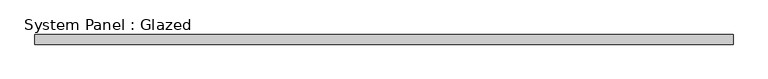
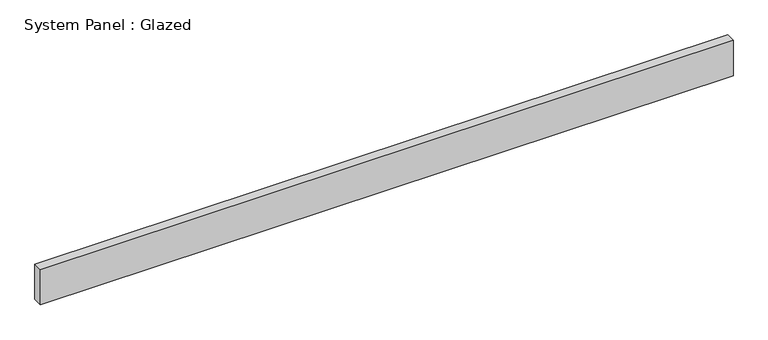
"""IFC4 building model written with IfcOpenShell, lengths in millimetres: plate geometry, System Panel : Glazed."""

from ifc_helpers import new_model, si_unit, origin, origin_with_axes, place, context, project, spatial, polyline, outline, extrude, source, transform, mapped, element, save


def system_panel_glazed_a2c0351a(model_context):
    return source(origin(), model_context, "Body", "SweptSolid", [
        extrude(outline(polyline([(905.0, 24.5), (-905.0, 24.5), (-905.0, 49.5), (905.0, 49.5), (905.0, 24.5)])), origin_with_axes(), (0.0, 0.0, 1.0), 97.1692572),
    ])


if __name__ == "__main__":
    model = new_model("IFC4")
    model_context = context("Model", 3, world=origin())
    ifc_project = project(units=[si_unit("LENGTHUNIT", "METRE", prefix="MILLI")], contexts=[model_context])
    site = spatial("IfcSite", under=ifc_project)
    building = spatial("IfcBuilding", under=site)
    placement = place(None, origin())
    system_panel_glazed_shape = system_panel_glazed_a2c0351a(model_context)
    element("IfcPlate", 1, ObjectType="System Panel : Glazed", at=placement, inside=building, context=model_context, shape_type="MappedRepresentation", body=[
        mapped(system_panel_glazed_shape, transform((0.0, 0.0, 0.0), x_axis=(1.0, 0.0, 0.0), y_axis=(0.0, 1.0, 0.0), z_axis=(0.0, 0.0, 1.0))),
    ])
    save(model, "model.ifc")
